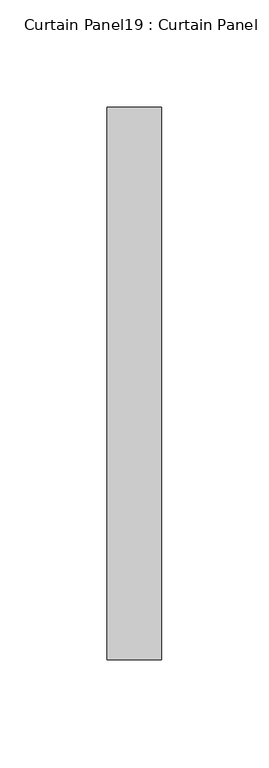
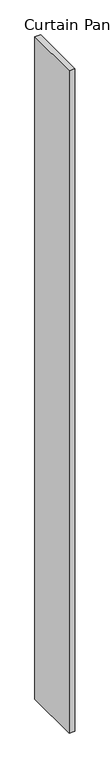
"""IFC4 building model written with IfcOpenShell, lengths in millimetres: plate geometry, Curtain Panel19 : Curtain Panel."""

from ifc_helpers import new_model, si_unit, frame, origin, place, context, project, spatial, polyline, outline, extrude, source, transform, mapped, element, save


def curtain_panel19_curtain_panel_cf8c96a0(model_context):
    return source(origin(), model_context, "Body", "SweptSolid", [
        extrude(outline(polyline([(59783.646067, 2371.8622843), (59783.646067, 2629.0371711), (59809.046067, 2629.0371711), (59809.046067, 2371.8622843), (59783.646067, 2371.8622843)])), frame((0.0, 0.0, -994.8126169), z_axis=(0.0, 0.0, 1.0), x_axis=(1.0, 0.0, 0.0)), (0.0, 0.0, 1.0), 3048.0),
    ])


if __name__ == "__main__":
    model = new_model("IFC4")
    model_context = context("Model", 3, world=origin())
    ifc_project = project(units=[si_unit("LENGTHUNIT", "METRE", prefix="MILLI")], contexts=[model_context])
    site = spatial("IfcSite", under=ifc_project)
    building = spatial("IfcBuilding", under=site)
    placement = place(None, origin())
    curtain_panel19_curtain_panel_shape = curtain_panel19_curtain_panel_cf8c96a0(model_context)
    element("IfcPlate", 1, ObjectType="Curtain Panel19 : Curtain Panel", at=placement, inside=building, context=model_context, shape_type="MappedRepresentation", body=[
        mapped(curtain_panel19_curtain_panel_shape, transform((0.0, 0.0, 0.0), x_axis=(1.0, 0.0, 0.0), y_axis=(0.0, 1.0, 0.0), z_axis=(0.0, 0.0, 1.0))),
    ])
    save(model, "model.ifc")
